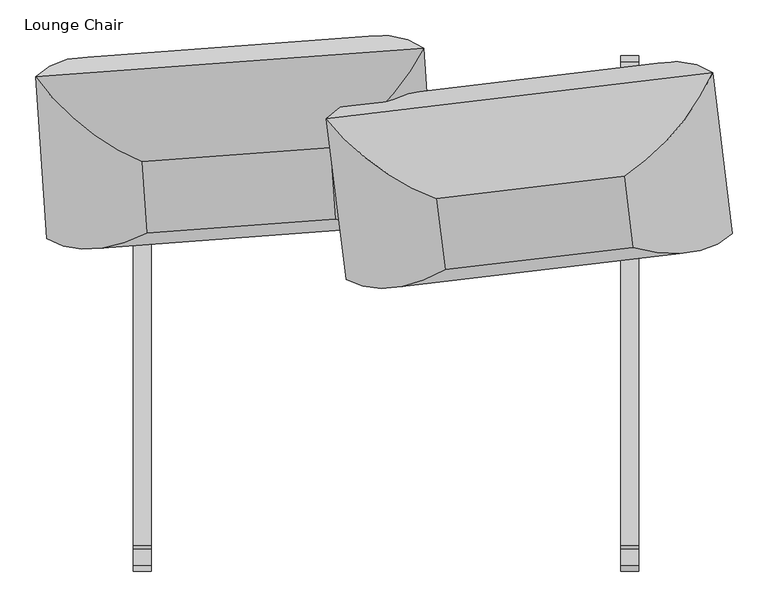
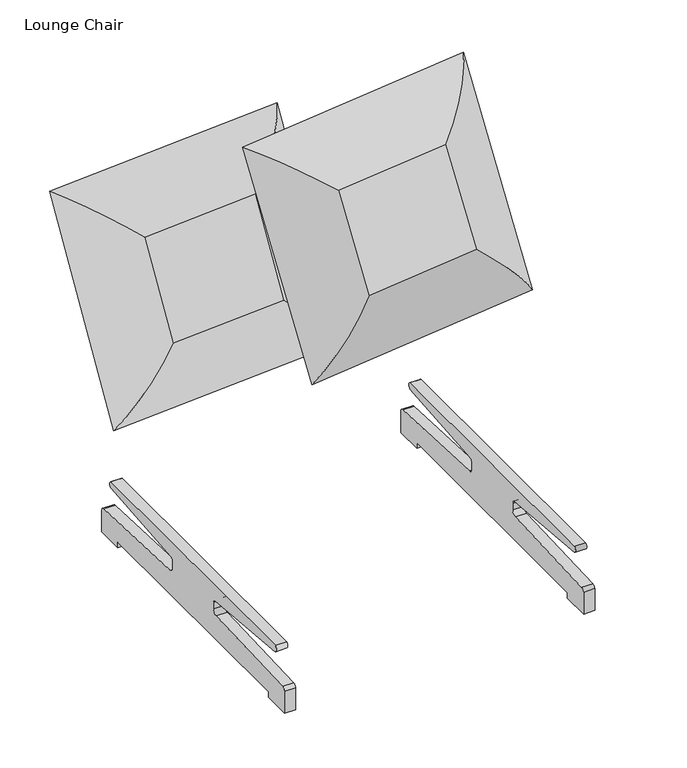
"""IFC4 building model written with IfcOpenShell, lengths in millimetres: furniture geometry, Lounge Chair."""

from ifc_helpers import new_model, si_unit, point, frame, frame_2d, origin, place, context, project, spatial, polyline, circle_curve, ellipse_curve, trimmed, segment, composite_curve, outline, extrude, source, transform, mapped, element, save
from ifc_brep_helpers import plane_surface, cylinder_surface, advanced_brep


def lounge_chair_9d437e17(model_context):
    return source(origin(), model_context, "Body", "SolidModel", [
        advanced_brep(
        [(348.0875838, 71.3562177, 601.3597902), (487.3122085, 90.6499526, 442.9525085), (459.4289398, 317.2326982, 890.9951012), (335.7490316, 171.6207554, 799.6219453), (332.2588863, 206.2199882, 532.1718162), (319.9203341, 306.4845259, 730.4339713), (-83.8251977, 252.8350387, 889.7534724), (70.880934, 140.223138, 799.0165788), (55.0522365, 275.0869085, 729.8286048), (-55.941929, 26.2522931, 441.7108798), (83.2194862, 39.9586002, 600.7544237), (67.3907887, 174.8223707, 531.5664497)],
        [
            (0, 1, ellipse_curve(frame((319.0984617, 239.3253873, 524.923135), z_axis=(0.6629793337799581, 0.4018573100621228, 0.6316400124519643), x_axis=(0.7413979447921711, -0.23538161552146022, -0.6284302527189888)), 263.8641638, 186.5801395)),
            (1, 2),
            (2, 3, ellipse_curve(frame((307.7788984, 331.3095, 706.8116554), z_axis=(0.74139794479217, -0.23538161552146097, -0.6284302527189898), x_axis=(-0.6629793337799593, -0.4018573100621223, -0.6316400124519634)), 263.8641638, 186.5801395)),
            (3, 0),
            (1, 4, ellipse_curve(frame((345.2872658, 54.1072317, 615.2730698), z_axis=(0.6629793337799581, 0.4018573100621228, 0.6316400124519643), x_axis=(0.7413979447921711, -0.23538161552146022, -0.6284302527189888)), 245.7274984, 173.7555804)),
            (4, 5),
            (5, 2, ellipse_curve(frame((333.4787906, 150.0643009, 805.0176771), z_axis=(0.74139794479217, -0.23538161552146097, -0.6284302527189898), x_axis=(-0.6629793337799593, -0.4018573100621223, -0.6316400124519634)), 245.7274984, 173.7555804)),
            (2, 6),
            (6, 7, ellipse_curve(frame((61.1595931, 302.075105, 706.2479973), z_axis=(0.6629793337799591, 0.4018573100621221, 0.6316400124519638), x_axis=(0.7413979447921704, -0.23538161552146047, -0.6284302527189896)), 263.8641638, 186.5801395)),
            (7, 3),
            (5, 8),
            (8, 6, ellipse_curve(frame((78.1036958, 119.7919895, 804.4340072), z_axis=(0.6629793337799591, 0.4018573100621221, 0.6316400124519638), x_axis=(0.7413979447921704, -0.23538161552146047, -0.6284302527189896)), 245.7274984, 173.7555804)),
            (6, 9),
            (9, 10, ellipse_curve(frame((72.4791564, 210.0909922, 524.3594769), z_axis=(-0.7413979447921716, 0.23538161552145967, 0.6284302527189884), x_axis=(0.6629793337799577, 0.4018573100621228, 0.6316400124519651)), 263.8641638, 186.5801395)),
            (10, 7),
            (8, 11),
            (11, 9, ellipse_curve(frame((89.9121711, 23.8349203, 614.6893999), z_axis=(-0.7413979447921716, 0.23538161552145967, 0.6284302527189884), x_axis=(0.6629793337799577, 0.4018573100621228, 0.6316400124519651)), 245.7274984, 173.7555804)),
            (0, 10),
            (9, 1),
            (11, 4),
        ],
        [
            cylinder_surface(frame((319.6079562, 235.1851747, 516.7363177), z_axis=(0.055450331617964914, -0.4505959655161815, -0.8910042292739123), x_axis=(-0.9930446970226626, -0.11771609251244215, -0.0022696428731658037)), 186.5801395),
            cylinder_surface(frame((345.5523043, 51.9534974, 611.0142959), z_axis=(0.055450331617964914, -0.4505959655161815, -0.8910042292739123), x_axis=(-0.9930446970226626, -0.11771609251244215, -0.0022696428731658037)), 173.7555804),
            cylinder_surface(frame((316.9032946, 332.3911112, 706.8325096), z_axis=(0.9930446970226625, 0.11771609251244157, 0.0022696428731643573), x_axis=(0.05545033161796333, -0.4505959655161813, -0.8910042292739123)), 186.5801395),
            cylinder_surface(frame((338.225292, 150.6269539, 805.0285254), z_axis=(0.9930446970226625, 0.11771609251244157, 0.0022696428731643573), x_axis=(0.05545033161796333, -0.4505959655161813, -0.8910042292739123)), 173.7555804),
            cylinder_surface(frame((60.6500986, 306.2153175, 714.4348146), z_axis=(-0.05545033161796614, 0.45059596551618103, 0.8910042292739125), x_axis=(0.9930446970226625, 0.1177160925124428, 0.0022696428731668883)), 186.5801395),
            cylinder_surface(frame((77.8386573, 121.9457238, 808.6927811), z_axis=(-0.05545033161796614, 0.45059596551618103, 0.8910042292739125), x_axis=(0.9930446970226625, 0.1177160925124428, 0.0022696428731668883)), 173.7555804),
            cylinder_surface(frame((63.3547603, 209.009381, 524.3386227), z_axis=(-0.9930446970226622, -0.1177160925124434, -0.00226964287316752), x_axis=(-0.05545033161796694, 0.4505959655161806, 0.8910042292739123)), 186.5801395),
            cylinder_surface(frame((85.1656696, 23.2722673, 614.6785516), z_axis=(-0.9930446970226622, -0.1177160925124434, -0.00226964287316752), x_axis=(-0.05545033161796694, 0.4505959655161806, 0.8910042292739123)), 173.7555804),
            plane_surface(frame((83.2194862, 39.9586002, 600.7544237), z_axis=(0.10386284436037418, -0.8849328773551941, 0.45398933042223594), x_axis=(0.993044697022662, 0.11771609251244286, 0.0022696428731668085))),
            plane_surface(frame((67.3907887, 174.8223707, 531.5664497), z_axis=(-0.10386284436037418, 0.8849328773551941, -0.45398933042223594), x_axis=(-0.993044697022662, -0.11771609251244286, -0.0022696428731668085))),
        ],
        [
            (0, [[1, 2, 3, 4]]),
            (1, [[-2, 5, 6, 7]]),
            (2, [[-3, 8, 9, 10]]),
            (3, [[-7, 11, 12, -8]]),
            (4, [[-9, 13, 14, 15]]),
            (5, [[-12, 16, 17, -13]]),
            (6, [[-1, 18, -14, 19]]),
            (7, [[-5, -19, -17, 20]]),
            (8, [[-4, -10, -15, -18]]),
            (9, [[-6, -20, -16, -11]]),
        ],
    ),
        advanced_brep(
        [(-336.4964176, 91.4452841, 601.3597902), (-343.515935, 192.2219867, 799.6219453), (-492.7075635, 311.5593889, 890.9951012), (-476.8445119, 83.819228, 442.9525085), (-353.7112758, 327.6281877, 730.4339713), (-346.6917584, 226.8514851, 532.1718162), (-77.5232625, 211.9404475, 799.0165788), (52.8531181, 352.002672, 889.7534724), (-87.7186034, 347.3466486, 729.8286048), (-70.5037451, 111.1637449, 600.7544237), (68.7161697, 124.2625111, 441.7108798), (-80.6990859, 246.569946, 531.5664497)],
        [
            (0, 1),
            (1, 2, ellipse_curve(frame((-346.5297409, 354.3137522, 706.8116554), z_axis=(-0.682863446772471, -0.3725223892997134, -0.6284302527189898), x_axis=(0.7274765257201012, -0.26797163879017943, -0.6316400124519633)), 263.8641638, 186.5801395)),
            (2, 3),
            (3, 0, ellipse_curve(frame((-340.0899358, 261.8597722, 524.923135), z_axis=(-0.7274765257201, 0.26797163879018027, 0.6316400124519643), x_axis=(-0.6828634467724722, -0.3725223892997128, -0.6284302527189888)), 263.8641638, 186.5801395)),
            (2, 4, ellipse_curve(frame((-337.1742393, 171.4947673, 805.0176771), z_axis=(-0.682863446772471, -0.3725223892997134, -0.6284302527189898), x_axis=(0.7274765257201012, -0.26797163879017943, -0.6316400124519633)), 245.7274984, 173.7555804)),
            (4, 5),
            (5, 3, ellipse_curve(frame((-330.4562876, 75.0475364, 615.2730698), z_axis=(-0.7274765257201, 0.26797163879018027, 0.6316400124519643), x_axis=(-0.6828634467724722, -0.3725223892997128, -0.6284302527189888)), 245.7274984, 173.7555804)),
            (1, 6),
            (6, 7, ellipse_curve(frame((-98.8633413, 372.6736573, 706.2479973), z_axis=(-0.7274765257201008, 0.26797163879017943, 0.6316400124519638), x_axis=(-0.6828634467724717, -0.3725223892997128, -0.6284302527189893)), 263.8641638, 186.5801395)),
            (7, 2),
            (7, 8, ellipse_curve(frame((-80.7148749, 190.5065089, 804.4340072), z_axis=(-0.7274765257201008, 0.26797163879017943, 0.6316400124519638), x_axis=(-0.6828634467724717, -0.3725223892997128, -0.6284302527189893)), 245.7274984, 173.7555804)),
            (8, 4),
            (6, 9),
            (9, 10, ellipse_curve(frame((-92.4235362, 280.2196773, 524.3594769), z_axis=(0.6828634467724729, 0.3725223892997124, 0.6284302527189884), x_axis=(-0.7274765257200996, 0.2679716387901802, 0.631640012451965)), 263.8641638, 186.5801395)),
            (10, 7),
            (10, 11, ellipse_curve(frame((-73.9969233, 94.0592779, 614.6893999), z_axis=(0.6828634467724729, 0.3725223892997124, 0.6284302527189884), x_axis=(-0.7274765257200996, 0.2679716387901802, 0.631640012451965)), 245.7274984, 173.7555804)),
            (11, 8),
            (3, 10),
            (9, 0),
            (5, 11),
        ],
        [
            cylinder_surface(frame((-339.8000796, 257.6984109, 516.7363177), z_axis=(0.03154621065347943, -0.4528976705718505, -0.8910042292739123), x_axis=(0.9972609583279474, 0.07392854466343413, -0.0022696428731658037)), 186.5801395),
            cylinder_surface(frame((-330.3055047, 72.8828006, 611.0142959), z_axis=(0.03154621065347943, -0.4528976705718505, -0.8910042292739123), x_axis=(0.9972609583279474, 0.07392854466343413, -0.0022696428731658037)), 173.7555804),
            cylinder_surface(frame((-355.6928773, 353.6344743, 706.8325096), z_axis=(-0.9972609583279473, -0.0739285446634347, 0.0022696428731643573), x_axis=(0.03154621065348094, -0.45289767057184993, -0.8910042292739123)), 186.5801395),
            cylinder_surface(frame((-341.9408934, 171.1414077, 805.0285254), z_axis=(-0.9972609583279473, -0.0739285446634347, 0.0022696428731643573), x_axis=(0.03154621065348094, -0.45289767057184993, -0.8910042292739123)), 173.7555804),
            cylinder_surface(frame((-99.1531974, 376.8350185, 714.4348146), z_axis=(-0.03154621065347814, 0.4528976705718502, 0.8910042292739125), x_axis=(-0.9972609583279475, -0.07392854466343347, 0.0022696428731668883)), 186.5801395),
            cylinder_surface(frame((-80.8656578, 192.6712447, 808.6927811), z_axis=(-0.03154621065347814, 0.4528976705718502, 0.8910042292739125), x_axis=(-0.9972609583279475, -0.07392854466343347, 0.0022696428731668883)), 173.7555804),
            cylinder_surface(frame((-83.2603998, 280.8989552, 524.3386227), z_axis=(0.9972609583279473, 0.07392854466343284, -0.00226964287316752), x_axis=(-0.03154621065347727, 0.45289767057184993, 0.8910042292739123)), 186.5801395),
            cylinder_surface(frame((-69.2302692, 94.4126376, 614.6785516), z_axis=(0.9972609583279473, 0.07392854466343284, -0.00226964287316752), x_axis=(-0.03154621065347727, 0.45289767057184993, 0.8910042292739123)), 173.7555804),
            plane_surface(frame((-70.5037451, 111.1637449, 600.7544237), z_axis=(0.06689856192947163, -0.8884921329277704, 0.4539893304222359), x_axis=(-0.9972609583279469, -0.0739285446634333, 0.0022696428731668085))),
            plane_surface(frame((-80.6990859, 246.569946, 531.5664497), z_axis=(-0.06689856192947163, 0.8884921329277704, -0.4539893304222359), x_axis=(0.9972609583279469, 0.0739285446634333, -0.0022696428731668085))),
        ],
        [
            (0, [[1, 2, 3, 4]]),
            (1, [[5, 6, 7, -3]]),
            (2, [[8, 9, 10, -2]]),
            (3, [[-10, 11, 12, -5]]),
            (4, [[13, 14, 15, -9]]),
            (5, [[-15, 16, 17, -11]]),
            (6, [[18, -14, 19, -4]]),
            (7, [[20, -16, -18, -7]]),
            (8, [[-19, -13, -8, -1]]),
            (9, [[-12, -17, -20, -6]]),
        ],
    ),
        extrude(outline(composite_curve([segment(trimmed(circle_curve(frame_2d((301.6025981, 135.0287131)), 8.2813281), [point((305.0998594, 142.5353474))], [point((304.4846526, 127.2650698))], False, "CARTESIAN"), True, "CONTINUOUS"), segment(polyline([(304.4846526, 127.2650698), (67.9746703, 105.9960919)]), True, "CONTINUOUS"), segment(trimmed(circle_curve(frame_2d((67.9746703, 97.554557)), 8.4415349), [point((67.9746703, 105.9960919))], [point((59.5331354, 97.554557))], True, "CARTESIAN"), True, "CONTINUOUS"), segment(polyline([(59.5331354, 97.554557), (59.5331354, 81.9730579)]), True, "CONTINUOUS"), segment(trimmed(circle_curve(frame_2d((70.0389157, 81.9730579)), 10.5057802), [point((59.5331354, 81.9730579))], [point((70.0389157, 71.4672776))], True, "CARTESIAN"), True, "CONTINUOUS"), segment(polyline([(70.0389157, 71.4672776), (333.1747619, 60.2417308)]), True, "CONTINUOUS"), segment(trimmed(circle_curve(frame_2d((332.8044735, 51.5618743)), 8.6877512), [point((333.1747619, 60.2417308))], [point((341.2881636, 53.4337784))], False, "CARTESIAN"), True, "CONTINUOUS"), segment(polyline([(341.2881636, 53.4337784), (341.2881636, 0.0), (277.6339056, 0.0), (277.6339056, 13.4697401), (-320.5207421, 13.4697401), (-320.5207421, 0.0), (-384.175, 0.0), (-384.175, 53.4337784)]), True, "CONTINUOUS"), segment(trimmed(circle_curve(frame_2d((-375.69131, 51.5618743)), 8.6877512), [point((-384.175, 53.4337784))], [point((-376.0615983, 60.2417308))], False, "CARTESIAN"), True, "CONTINUOUS"), segment(polyline([(-376.0615983, 60.2417308), (-112.9257521, 71.4672776)]), True, "CONTINUOUS"), segment(trimmed(circle_curve(frame_2d((-112.9257521, 81.9730579)), 10.5057802), [point((-112.9257521, 71.4672776))], [point((-102.4199718, 81.9730579))], True, "CARTESIAN"), True, "CONTINUOUS"), segment(polyline([(-102.4199718, 81.9730579), (-102.4199718, 97.554557)]), True, "CONTINUOUS"), segment(trimmed(circle_curve(frame_2d((-110.8615067, 97.554557)), 8.4415349), [point((-102.4199718, 97.554557))], [point((-110.8615067, 105.9960919))], True, "CARTESIAN"), True, "CONTINUOUS"), segment(polyline([(-110.8615067, 105.9960919), (-347.371489, 127.2650698)]), True, "CONTINUOUS"), segment(trimmed(circle_curve(frame_2d((-344.4894345, 135.0287131)), 8.2813281), [point((-347.371489, 127.2650698))], [point((-347.9866958, 142.5353474))], False, "CARTESIAN"), True, "CONTINUOUS"), segment(polyline([(-347.9866958, 142.5353474), (305.0998594, 142.5353474)]), True, "CONTINUOUS")], self_intersect=False)), frame((330.2, 0.0, 0.0), z_axis=(1.0, 0.0, 0.0), x_axis=(0.0, 1.0, 0.0)), (0.0, 0.0, 1.0), 25.4),
        extrude(outline(composite_curve([segment(trimmed(circle_curve(frame_2d((301.6025981, 135.0287131)), 8.2813281), [point((305.0998594, 142.5353474))], [point((304.4846526, 127.2650698))], False, "CARTESIAN"), True, "CONTINUOUS"), segment(polyline([(304.4846526, 127.2650698), (67.9746703, 105.9960919)]), True, "CONTINUOUS"), segment(trimmed(circle_curve(frame_2d((67.9746703, 97.554557)), 8.4415349), [point((67.9746703, 105.9960919))], [point((59.5331354, 97.554557))], True, "CARTESIAN"), True, "CONTINUOUS"), segment(polyline([(59.5331354, 97.554557), (59.5331354, 81.9730579)]), True, "CONTINUOUS"), segment(trimmed(circle_curve(frame_2d((70.0389157, 81.9730579)), 10.5057802), [point((59.5331354, 81.9730579))], [point((70.0389157, 71.4672776))], True, "CARTESIAN"), True, "CONTINUOUS"), segment(polyline([(70.0389157, 71.4672776), (333.1747619, 60.2417308)]), True, "CONTINUOUS"), segment(trimmed(circle_curve(frame_2d((332.8044735, 51.5618743)), 8.6877512), [point((333.1747619, 60.2417308))], [point((341.2881636, 53.4337784))], False, "CARTESIAN"), True, "CONTINUOUS"), segment(polyline([(341.2881636, 53.4337784), (341.2881636, 0.0), (277.6339056, 0.0), (277.6339056, 13.4697401), (-320.5207421, 13.4697401), (-320.5207421, 0.0), (-384.175, 0.0), (-384.175, 53.4337784)]), True, "CONTINUOUS"), segment(trimmed(circle_curve(frame_2d((-375.69131, 51.5618743)), 8.6877512), [point((-384.175, 53.4337784))], [point((-376.0615983, 60.2417308))], False, "CARTESIAN"), True, "CONTINUOUS"), segment(polyline([(-376.0615983, 60.2417308), (-112.9257521, 71.4672776)]), True, "CONTINUOUS"), segment(trimmed(circle_curve(frame_2d((-112.9257521, 81.9730579)), 10.5057802), [point((-112.9257521, 71.4672776))], [point((-102.4199718, 81.9730579))], True, "CARTESIAN"), True, "CONTINUOUS"), segment(polyline([(-102.4199718, 81.9730579), (-102.4199718, 97.554557)]), True, "CONTINUOUS"), segment(trimmed(circle_curve(frame_2d((-110.8615067, 97.554557)), 8.4415349), [point((-102.4199718, 97.554557))], [point((-110.8615067, 105.9960919))], True, "CARTESIAN"), True, "CONTINUOUS"), segment(polyline([(-110.8615067, 105.9960919), (-347.371489, 127.2650698)]), True, "CONTINUOUS"), segment(trimmed(circle_curve(frame_2d((-344.4894345, 135.0287131)), 8.2813281), [point((-347.371489, 127.2650698))], [point((-347.9866958, 142.5353474))], False, "CARTESIAN"), True, "CONTINUOUS"), segment(polyline([(-347.9866958, 142.5353474), (305.0998594, 142.5353474)]), True, "CONTINUOUS")], self_intersect=False)), frame((-355.6, 0.0, 0.0), z_axis=(1.0, 0.0, 0.0), x_axis=(0.0, 1.0, 0.0)), (0.0, 0.0, 1.0), 25.4),
    ])


if __name__ == "__main__":
    model = new_model("IFC4")
    model_context = context("Model", 3, world=origin())
    ifc_project = project(units=[si_unit("LENGTHUNIT", "METRE", prefix="MILLI")], contexts=[model_context])
    site = spatial("IfcSite", under=ifc_project)
    building = spatial("IfcBuilding", under=site)
    placement = place(None, origin())
    lounge_chair_shape = lounge_chair_9d437e17(model_context)
    element("IfcFurniture", 1, ObjectType="Lounge Chair", at=placement, inside=building, context=model_context, shape_type="MappedRepresentation", body=[
        mapped(lounge_chair_shape, transform((0.0, 0.0, 0.0), x_axis=(1.0, 0.0, 0.0), y_axis=(0.0, 1.0, 0.0), z_axis=(0.0, 0.0, 1.0))),
    ])
    save(model, "model.ifc")
